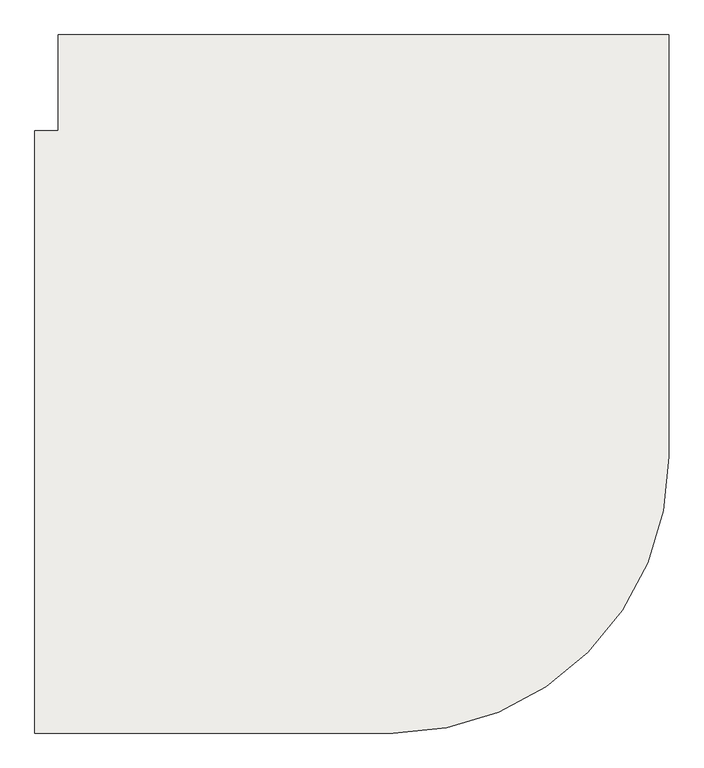
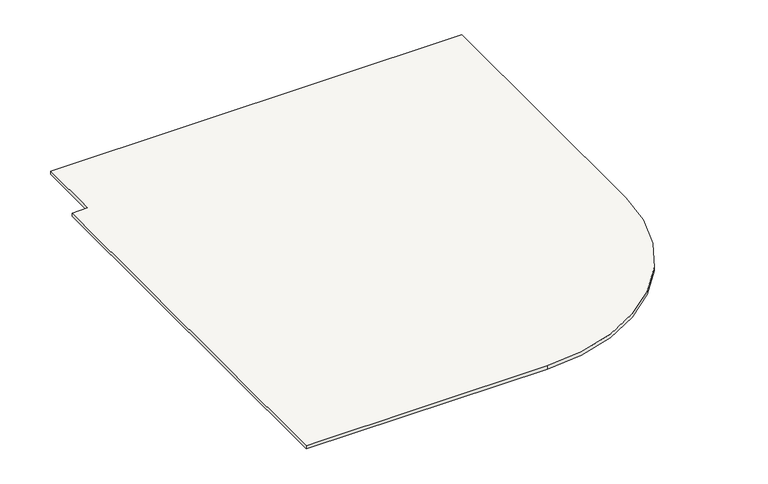
"""IFC4 building model written with IfcOpenShell, lengths in millimetres: slab geometry."""

from ifc_helpers import new_model, si_unit, point, frame, frame_2d, origin, place, context, project, spatial, polyline, circle_curve, trimmed, segment, composite_curve, outline, extrude, source, transform, mapped, element, save


def slab_ac23959b(model_context):
    return source(origin(), model_context, "Body", "SweptSolid", [
        extrude(outline(composite_curve([segment(polyline([(140373.7432689, 83115.1344505), (140467.5700352, 83115.1344505), (140467.5700352, 83496.0830814), (142900.1714047, 83496.0830814), (142900.1714047, 81815.1344505)]), True, "CONTINUOUS"), segment(trimmed(circle_curve(frame_2d((141800.1714047, 81815.1344505)), 1100.0), [point((142900.1714047, 81815.1344505))], [point((141800.1714047, 80715.1344505))], False, "CARTESIAN"), True, "CONTINUOUS"), segment(polyline([(141800.1714047, 80715.1344505), (140373.7432689, 80715.1344505), (140373.7432689, 83115.1344505)]), True, "CONTINUOUS")], self_intersect=False)), frame((0.0, 0.0, 56.61279), z_axis=(0.0, 0.0, 1.0), x_axis=(1.0, 0.0, 0.0)), (0.0, 0.0, 1.0), 20.0),
    ])


if __name__ == "__main__":
    model = new_model("IFC4")
    model_context = context("Model", 3, world=origin())
    ifc_project = project(units=[si_unit("LENGTHUNIT", "METRE", prefix="MILLI")], contexts=[model_context])
    site = spatial("IfcSite", under=ifc_project)
    building = spatial("IfcBuilding", under=site)
    placement = place(None, origin())
    slab_shape = slab_ac23959b(model_context)
    element("IfcSlab", 1, at=placement, inside=building, context=model_context, shape_type="MappedRepresentation", body=[
        mapped(slab_shape, transform((0.0, 0.0, 0.0), x_axis=(1.0, 0.0, 0.0), y_axis=(0.0, 1.0, 0.0), z_axis=(0.0, 0.0, 1.0))),
    ])
    save(model, "model.ifc")
